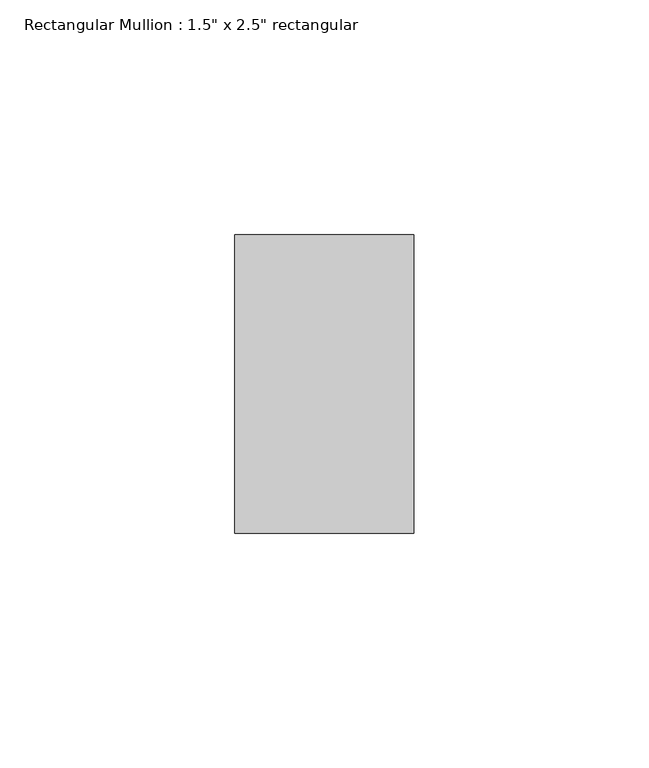
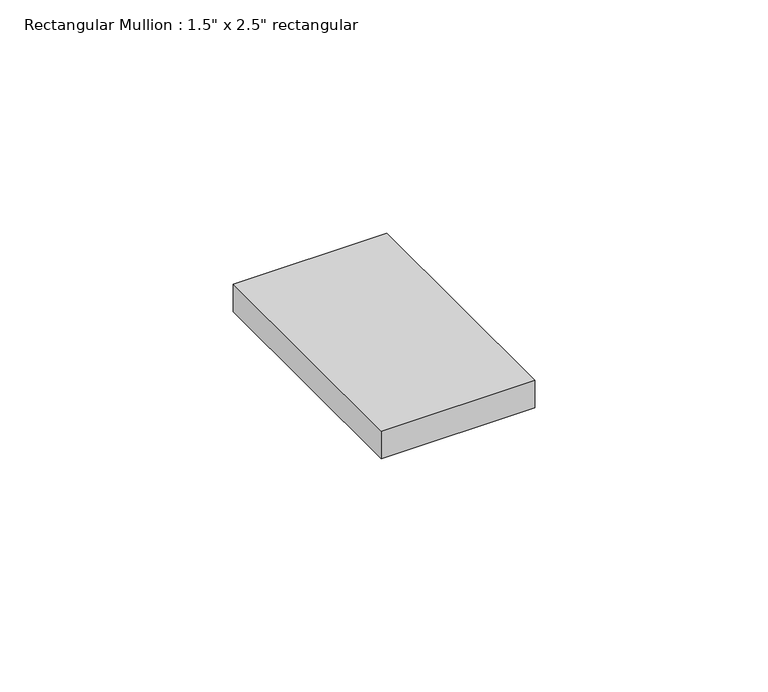
"""IFC4 building model written with IfcOpenShell, lengths in millimetres: member geometry."""

from ifc_helpers import new_model, si_unit, frame, origin, place, context, project, spatial, polyline, outline, extrude, source, transform, mapped, element, save


def member_3d2b3527(model_context):
    return source(origin(), model_context, "Body", "SweptSolid", [
        extrude(outline(polyline([(0.0, 31.75), (0.0, -31.75), (-38.1, -31.75), (-38.1, 31.75), (0.0, 31.75)])), frame((0.0, 0.0, -7.2571429), z_axis=(0.0, 0.0, 1.0), x_axis=(1.0, 0.0, 0.0)), (0.0, 0.0, 1.0), 7.2571429),
    ])


if __name__ == "__main__":
    model = new_model("IFC4")
    model_context = context("Model", 3, world=origin())
    ifc_project = project(units=[si_unit("LENGTHUNIT", "METRE", prefix="MILLI")], contexts=[model_context])
    site = spatial("IfcSite", under=ifc_project)
    building = spatial("IfcBuilding", under=site)
    placement = place(None, origin())
    member_shape = member_3d2b3527(model_context)
    element("IfcMember", 1, ObjectType="Rectangular Mullion : 1.5\" x 2.5\" rectangular", at=placement, inside=building, context=model_context, shape_type="MappedRepresentation", body=[
        mapped(member_shape, transform((0.0, 0.0, 0.0), x_axis=(1.0, 0.0, 0.0), y_axis=(0.0, 1.0, 0.0), z_axis=(0.0, 0.0, 1.0))),
    ])
    save(model, "model.ifc")
